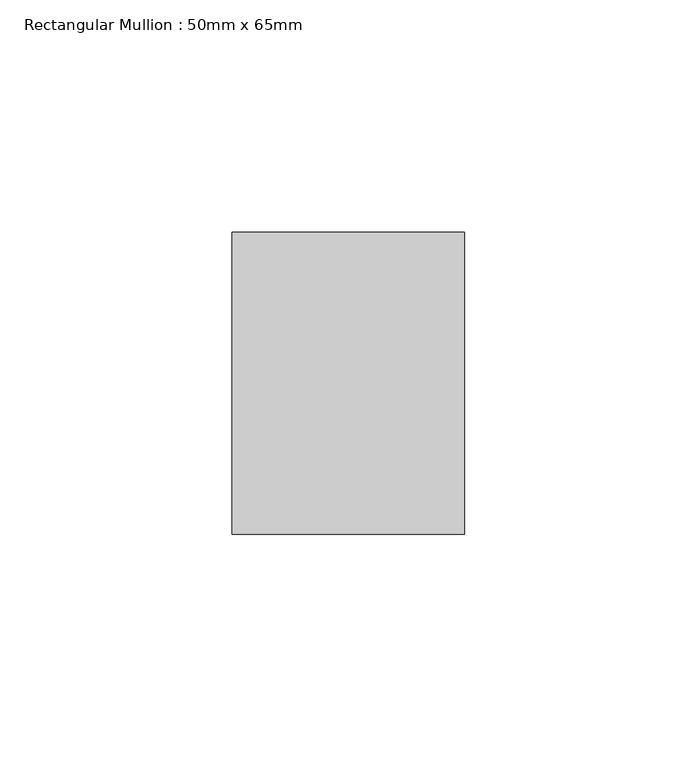
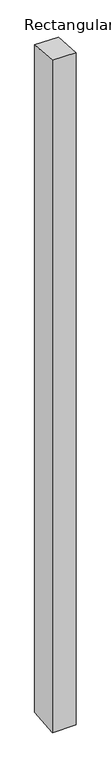
"""IFC4 building model written with IfcOpenShell, lengths in millimetres: member geometry, Rectangular Mullion : 50mm x 65mm."""

from ifc_helpers import new_model, si_unit, origin, place, context, project, spatial, faceted_brep, source, transform, mapped, element, save


def rectangular_mullion_50mm_x_65mm_618d7883(model_context):
    return source(origin(), model_context, "Body", "Brep", [
        faceted_brep([(-25.0, 32.5, -2.4319403), (25.0, 32.5, -2.4319586), (25.0, 32.5, -1497.0087713), (-25.0, 32.5, -1497.0087939), (-25.0, -32.5, 2.4319586), (-25.0, -32.5, -1502.991105), (25.0, -32.5, 2.4319403), (25.0, -32.5, -1502.9910824)], [[[0, 1, 2, 3]], [[4, 0, 3, 5]], [[6, 4, 5, 7]], [[1, 6, 7, 2]], [[1, 0, 4, 6]], [[2, 7, 5, 3]]]),
    ])


if __name__ == "__main__":
    model = new_model("IFC4")
    model_context = context("Model", 3, world=origin())
    ifc_project = project(units=[si_unit("LENGTHUNIT", "METRE", prefix="MILLI")], contexts=[model_context])
    site = spatial("IfcSite", under=ifc_project)
    building = spatial("IfcBuilding", under=site)
    placement = place(None, origin())
    rectangular_mullion_50mm_x_65mm_shape = rectangular_mullion_50mm_x_65mm_618d7883(model_context)
    element("IfcMember", 1, ObjectType="Rectangular Mullion : 50mm x 65mm", at=placement, inside=building, context=model_context, shape_type="MappedRepresentation", body=[
        mapped(rectangular_mullion_50mm_x_65mm_shape, transform((0.0, 0.0, 0.0), x_axis=(1.0, 0.0, 0.0), y_axis=(0.0, 1.0, 0.0), z_axis=(0.0, 0.0, 1.0))),
    ])
    save(model, "model.ifc")
